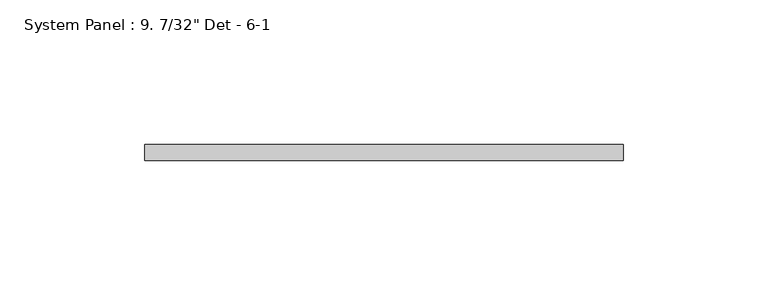
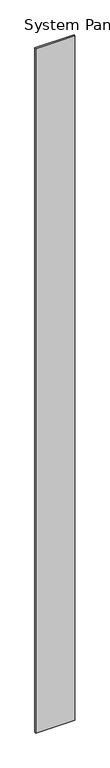
"""IFC4 building model written with IfcOpenShell, lengths in millimetres: plate geometry."""

from ifc_helpers import new_model, si_unit, origin, origin_with_axes, place, context, project, spatial, polyline, outline, extrude, source, transform, mapped, element, save


def plate_6c02b6fb(model_context):
    return source(origin(), model_context, "Body", "SweptSolid", [
        extrude(outline(polyline([(82.55, 7.9375), (-82.55, 7.9375), (-82.55, 13.49375), (82.55, 13.49375), (82.55, 7.9375)])), origin_with_axes(), (0.0, 0.0, 1.0), 3048.0),
    ])


if __name__ == "__main__":
    model = new_model("IFC4")
    model_context = context("Model", 3, world=origin())
    ifc_project = project(units=[si_unit("LENGTHUNIT", "METRE", prefix="MILLI")], contexts=[model_context])
    site = spatial("IfcSite", under=ifc_project)
    building = spatial("IfcBuilding", under=site)
    placement = place(None, origin())
    plate_shape = plate_6c02b6fb(model_context)
    element("IfcPlate", 1, ObjectType="System Panel : 9. 7/32\" Det - 6-1", at=placement, inside=building, context=model_context, shape_type="MappedRepresentation", body=[
        mapped(plate_shape, transform((0.0, 0.0, 0.0), x_axis=(1.0, 0.0, 0.0), y_axis=(0.0, 1.0, 0.0), z_axis=(0.0, 0.0, 1.0))),
    ])
    save(model, "model.ifc")
